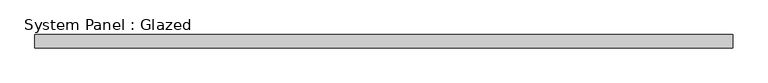
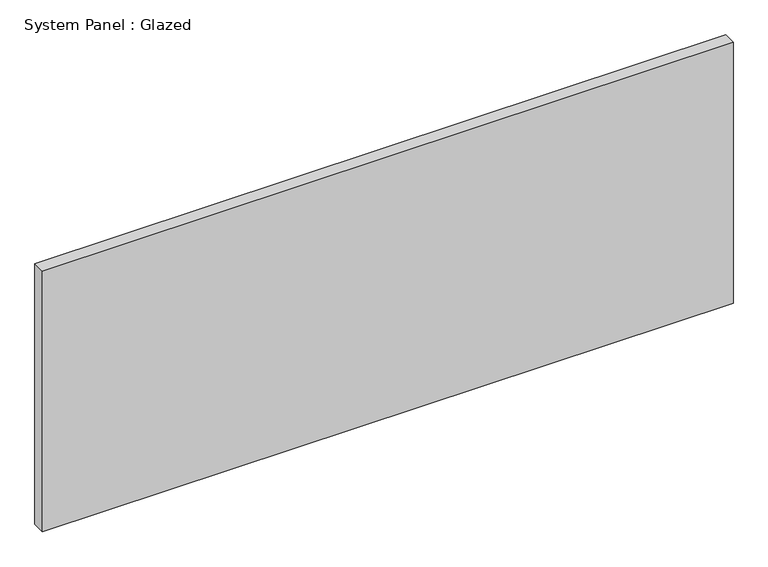
"""IFC4 building model written with IfcOpenShell, lengths in millimetres: plate geometry, System Panel : Glazed."""

from ifc_helpers import new_model, si_unit, origin, origin_with_axes, place, context, project, spatial, polyline, outline, extrude, source, transform, mapped, element, save


def system_panel_glazed_529f234c(model_context):
    return source(origin(), model_context, "Body", "SweptSolid", [
        extrude(outline(polyline([(657.8125, 24.5), (-657.8125, 24.5), (-657.8125, 49.5), (657.8125, 49.5), (657.8125, 24.5)])), origin_with_axes(), (0.0, 0.0, 1.0), 525.0),
    ])


if __name__ == "__main__":
    model = new_model("IFC4")
    model_context = context("Model", 3, world=origin())
    ifc_project = project(units=[si_unit("LENGTHUNIT", "METRE", prefix="MILLI")], contexts=[model_context])
    site = spatial("IfcSite", under=ifc_project)
    building = spatial("IfcBuilding", under=site)
    placement = place(None, origin())
    system_panel_glazed_shape = system_panel_glazed_529f234c(model_context)
    element("IfcPlate", 1, ObjectType="System Panel : Glazed", at=placement, inside=building, context=model_context, shape_type="MappedRepresentation", body=[
        mapped(system_panel_glazed_shape, transform((0.0, 0.0, 0.0), x_axis=(1.0, 0.0, 0.0), y_axis=(0.0, 1.0, 0.0), z_axis=(0.0, 0.0, 1.0))),
    ])
    save(model, "model.ifc")
